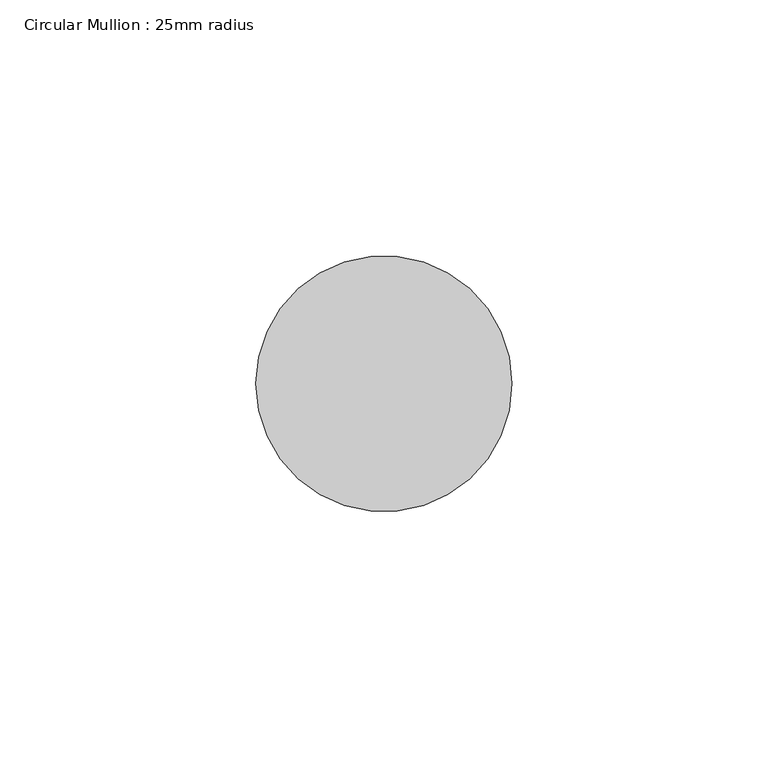
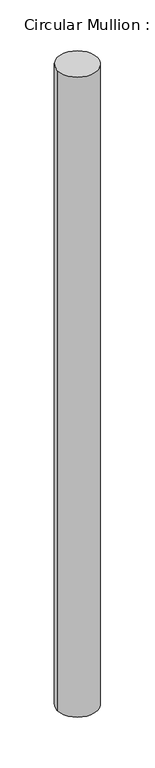
"""IFC4 building model written with IfcOpenShell, lengths in millimetres: member geometry, Circular Mullion : 25mm radius."""

from ifc_helpers import new_model, si_unit, point, frame, frame_2d, origin, place, context, project, spatial, circle_curve, trimmed, segment, composite_curve, outline, extrude, source, transform, mapped, element, save


def circular_mullion_25mm_radius_fcad29ce(model_context):
    return source(origin(), model_context, "Body", "SweptSolid", [
        extrude(outline(composite_curve([segment(trimmed(circle_curve(frame_2d((-25.0, 0.0)), 25.0), [point((0.0, 0.0))], [point((-50.0, 0.0))], False, "CARTESIAN"), True, "CONTINUOUS"), segment(trimmed(circle_curve(frame_2d((-25.0, 0.0)), 25.0), [point((-50.0, 0.0))], [point((0.0, 0.0))], False, "CARTESIAN"), True, "CONTINUOUS")], self_intersect=False)), frame((0.0, 0.0, -850.0), z_axis=(0.0, 0.0, 1.0), x_axis=(1.0, 0.0, 0.0)), (0.0, 0.0, 1.0), 850.0),
    ])


if __name__ == "__main__":
    model = new_model("IFC4")
    model_context = context("Model", 3, world=origin())
    ifc_project = project(units=[si_unit("LENGTHUNIT", "METRE", prefix="MILLI")], contexts=[model_context])
    site = spatial("IfcSite", under=ifc_project)
    building = spatial("IfcBuilding", under=site)
    placement = place(None, origin())
    circular_mullion_25mm_radius_shape = circular_mullion_25mm_radius_fcad29ce(model_context)
    element("IfcMember", 1, ObjectType="Circular Mullion : 25mm radius", at=placement, inside=building, context=model_context, shape_type="MappedRepresentation", body=[
        mapped(circular_mullion_25mm_radius_shape, transform((0.0, 0.0, 0.0), x_axis=(1.0, 0.0, 0.0), y_axis=(0.0, 1.0, 0.0), z_axis=(0.0, 0.0, 1.0))),
    ])
    save(model, "model.ifc")
